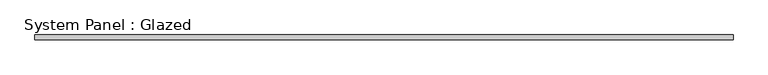
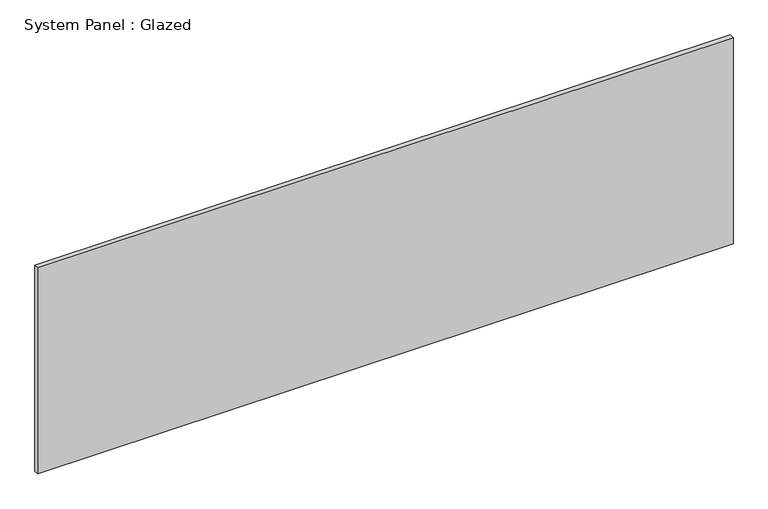
"""IFC4 building model written with IfcOpenShell, lengths in millimetres: plate geometry, System Panel : Glazed."""

from ifc_helpers import new_model, si_unit, origin, origin_with_axes, place, context, project, spatial, polyline, outline, extrude, source, transform, mapped, element, save


def system_panel_glazed_52bc4277(model_context):
    return source(origin(), model_context, "Body", "SweptSolid", [
        extrude(outline(polyline([(1845.0038172, 19.05), (-1845.0038172, 19.05), (-1845.0038172, 44.45), (1845.0038172, 44.45), (1845.0038172, 19.05)])), origin_with_axes(), (0.0, 0.0, 1.0), 1155.7),
    ])


if __name__ == "__main__":
    model = new_model("IFC4")
    model_context = context("Model", 3, world=origin())
    ifc_project = project(units=[si_unit("LENGTHUNIT", "METRE", prefix="MILLI")], contexts=[model_context])
    site = spatial("IfcSite", under=ifc_project)
    building = spatial("IfcBuilding", under=site)
    placement = place(None, origin())
    system_panel_glazed_shape = system_panel_glazed_52bc4277(model_context)
    element("IfcPlate", 1, ObjectType="System Panel : Glazed", at=placement, inside=building, context=model_context, shape_type="MappedRepresentation", body=[
        mapped(system_panel_glazed_shape, transform((0.0, 0.0, 0.0), x_axis=(1.0, 0.0, 0.0), y_axis=(0.0, 1.0, 0.0), z_axis=(0.0, 0.0, 1.0))),
    ])
    save(model, "model.ifc")
